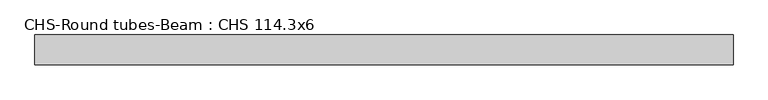
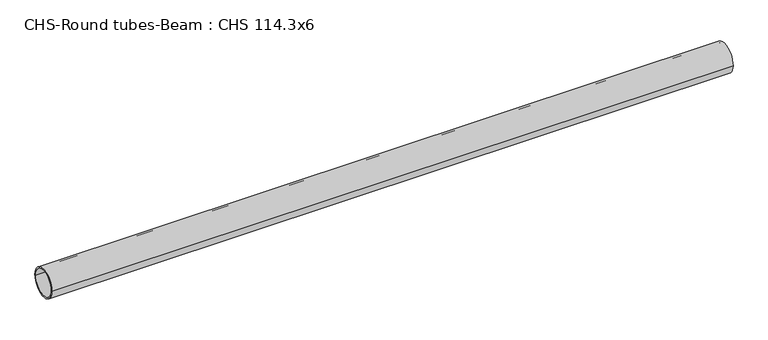
"""IFC4 building model written with IfcOpenShell, lengths in millimetres: beam geometry, CHS-Round tubes-Beam : CHS 114.3x6."""

from ifc_helpers import new_model, si_unit, point, frame, origin, origin_2d, place, context, project, spatial, circle_curve, trimmed, segment, composite_curve, outline, extrude, source, transform, mapped, element, save


def chs_round_tubes_beam_chs_114_3x6_1003fe25(model_context):
    return source(origin(), model_context, "Body", "SweptSolid", [
        extrude(outline(composite_curve([segment(trimmed(circle_curve(origin_2d(), 57.15), [point((57.15, 0.0))], [point((-57.15, 0.0))], False, "CARTESIAN"), True, "CONTINUOUS"), segment(trimmed(circle_curve(origin_2d(), 57.15), [point((-57.15, 0.0))], [point((57.15, 0.0))], False, "CARTESIAN"), True, "CONTINUOUS")], self_intersect=False), holes=[composite_curve([segment(trimmed(circle_curve(origin_2d(), 51.15), [point((51.15, 0.0))], [point((-51.15, 0.0))], True, "CARTESIAN"), True, "CONTINUOUS"), segment(trimmed(circle_curve(origin_2d(), 51.15), [point((-51.15, 0.0))], [point((51.15, 0.0))], True, "CARTESIAN"), True, "CONTINUOUS")], self_intersect=False)]), frame((-1289.3410649, 0.0, 0.0), z_axis=(1.0, 0.0, 0.0), x_axis=(0.0, 1.0, 0.0)), (0.0, 0.0, 1.0), 2657.0875111),
    ])


if __name__ == "__main__":
    model = new_model("IFC4")
    model_context = context("Model", 3, world=origin())
    ifc_project = project(units=[si_unit("LENGTHUNIT", "METRE", prefix="MILLI")], contexts=[model_context])
    site = spatial("IfcSite", under=ifc_project)
    building = spatial("IfcBuilding", under=site)
    placement = place(None, origin())
    chs_round_tubes_beam_chs_114_3x6_shape = chs_round_tubes_beam_chs_114_3x6_1003fe25(model_context)
    element("IfcBeam", 1, ObjectType="CHS-Round tubes-Beam : CHS 114.3x6", at=placement, inside=building, context=model_context, shape_type="MappedRepresentation", body=[
        mapped(chs_round_tubes_beam_chs_114_3x6_shape, transform((0.0, 0.0, 0.0), x_axis=(1.0, 0.0, 0.0), y_axis=(0.0, 1.0, 0.0), z_axis=(0.0, 0.0, 1.0))),
    ])
    save(model, "model.ifc")
